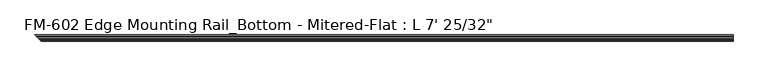
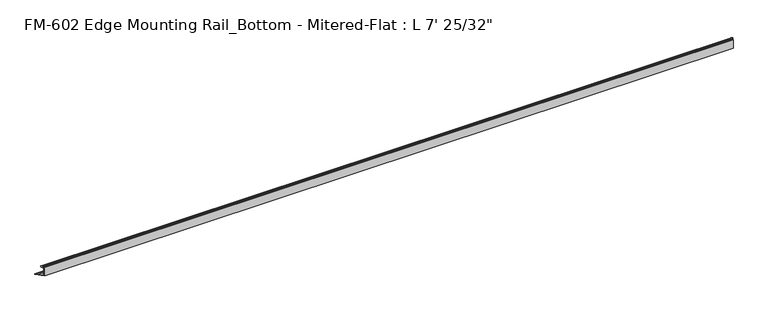
"""IFC4 building model written with IfcOpenShell, lengths in millimetres: proxy geometry."""

import ifcopenshell
import ifcopenshell.guid

model = None  # the IFC model being written
_history = None  # IfcOwnerHistory: only IFC2X3 demands one
_inside = {}  # id of a spatial element -> (the spatial element, [elements in it])
_under = {}  # id of a project, library or spatial element -> (it, [spatial elements below it])
_declared = {}  # id of a project -> (the project, [libraries it declares])
_typed = {}  # id of a type object -> (the type object, [elements of that type])
_made_of = {}  # id of a material, layer set ... -> (it, [elements and type objects made of it])


def new_model(schema):
    """Start an empty IFC model of exactly this schema.

    Asked for "IFC4X3", IfcOpenShell would pick the latest addendum, in which some entities
    have other attributes; the version numbers below select the first issue.
    IFC2X3 requires an IfcOwnerHistory on every rooted entity: one is made here for all.
    """
    global model, _history
    if schema == "IFC4X3":
        model = ifcopenshell.file(schema_version=(4, 3, 0, 0))
    else:
        model = ifcopenshell.file(schema=schema)
    _inside.clear()
    _under.clear()
    _declared.clear()
    _typed.clear()
    _made_of.clear()
    _history = None
    if model.schema == "IFC2X3":
        org = make("IfcOrganization", Name="unknown")
        user = make(
            "IfcPersonAndOrganization",
            ThePerson=make("IfcPerson", FamilyName="unknown"),
            TheOrganization=org,
        )
        app = make(
            "IfcApplication",
            ApplicationDeveloper=org,
            Version="unknown",
            ApplicationFullName="unknown",
            ApplicationIdentifier="unknown",
        )
        _history = make(
            "IfcOwnerHistory",
            OwningUser=user,
            OwningApplication=app,
            ChangeAction="ADDED",
            CreationDate=0,
        )
    return model


def make(cls, **values):
    """One entity of the class cls with the attributes given. An attribute that is None is left unset."""
    return model.create_entity(
        cls, **{name: value for name, value in values.items() if value is not None}
    )


def rooted(cls, **values):
    """An entity with a GlobalId (a new one), such as an element, a storey or a relation."""
    return make(cls, GlobalId=ifcopenshell.guid.new(), OwnerHistory=_history, **values)


def si_unit(unit_type, name, prefix=None):
    """IfcSIUnit, for example si_unit("LENGTHUNIT", "METRE", prefix="MILLI")."""
    return make("IfcSIUnit", UnitType=unit_type, Prefix=prefix, Name=name)


def assignment(units):
    """IfcUnitAssignment: the units of a project."""
    return None if units is None else make("IfcUnitAssignment", Units=units)


def point(xyz):
    """IfcCartesianPoint."""
    return None if xyz is None else make("IfcCartesianPoint", Coordinates=xyz)


def direction(xyz):
    """IfcDirection."""
    return None if xyz is None else make("IfcDirection", DirectionRatios=xyz)


def frame(location, z_axis=None, x_axis=None):
    """IfcAxis2Placement3D, a coordinate frame: its origin and axes. An axis left out is left unset."""
    return make(
        "IfcAxis2Placement3D",
        Location=point(location),
        Axis=direction(z_axis),
        RefDirection=direction(x_axis),
    )


def origin():
    """The frame at (0, 0, 0) with its axes left unset."""
    return frame((0.0, 0.0, 0.0))


def place(relative_to, where):
    """IfcLocalPlacement: puts the frame where relative to a parent placement (None: the world)."""
    return make(
        "IfcLocalPlacement", PlacementRelTo=relative_to, RelativePlacement=where
    )


def context(
    kind, dimensions, precision=None, world=None, true_north=None, identifier=None
):
    """IfcGeometricRepresentationContext, for example the 3D "Model" context."""
    return make(
        "IfcGeometricRepresentationContext",
        ContextIdentifier=identifier,
        ContextType=kind,
        CoordinateSpaceDimension=dimensions,
        Precision=precision,
        WorldCoordinateSystem=world,
        TrueNorth=true_north,
    )


def project(units=None, contexts=None):
    """IfcProject with its units and contexts."""
    return rooted(
        "IfcProject",
        Name="project",
        RepresentationContexts=contexts,
        UnitsInContext=assignment(units),
    )


def spatial(cls, under=None, at=None, **own):
    """A site, building, storey or space (cls), placed at a placement, below another one or the project."""
    s = rooted(cls, ObjectPlacement=at, **own)
    if under is not None:
        _under.setdefault(under.id(), (under, []))[1].append(s)
    return s


def polyline(points):
    """IfcPolyline through the points."""
    return make("IfcPolyline", Points=[point(p) for p in points])


def circle_curve(where, radius):
    """IfcCircle in the frame where."""
    return make("IfcCircle", Position=where, Radius=radius)


def ellipse_curve(where, semi_axis1, semi_axis2):
    """IfcEllipse in the frame where."""
    return make(
        "IfcEllipse", Position=where, SemiAxis1=semi_axis1, SemiAxis2=semi_axis2
    )


def shape(context_of_items, identifier, shape_type, items):
    """IfcShapeRepresentation: the items that make up one representation, for example the "Body"."""
    return make(
        "IfcShapeRepresentation",
        ContextOfItems=context_of_items,
        RepresentationIdentifier=identifier,
        RepresentationType=shape_type,
        Items=items,
    )


def source(mapping_origin, context_of_items, identifier, shape_type, items):
    """IfcRepresentationMap: a shape defined once, which mapped items show again and again."""
    return make(
        "IfcRepresentationMap",
        MappingOrigin=mapping_origin,
        MappedRepresentation=shape(context_of_items, identifier, shape_type, items),
    )


def transform(
    local_origin,
    x_axis=None,
    y_axis=None,
    z_axis=None,
    scale=None,
    scale2=None,
    scale3=None,
    uniform=True,
):
    """IfcCartesianTransformationOperator3D, or its non-uniform kind. x_axis, y_axis, z_axis: its Axis1, 2, 3."""
    if uniform:
        return make(
            "IfcCartesianTransformationOperator3D",
            Axis1=direction(x_axis),
            Axis2=direction(y_axis),
            LocalOrigin=point(local_origin),
            Scale=scale,
            Axis3=direction(z_axis),
        )
    return make(
        "IfcCartesianTransformationOperator3DnonUniform",
        Axis1=direction(x_axis),
        Axis2=direction(y_axis),
        LocalOrigin=point(local_origin),
        Scale=scale,
        Axis3=direction(z_axis),
        Scale2=scale2,
        Scale3=scale3,
    )


def mapped(mapping_source, mapping_target):
    """IfcMappedItem: shows the shape of a source again, moved by a transform."""
    return make(
        "IfcMappedItem", MappingSource=mapping_source, MappingTarget=mapping_target
    )


def made_of(thing, what):
    """Note that an element or type object is made of a material, layer set ...; save() writes the relation."""
    if what is not None:
        _made_of.setdefault(what.id(), (what, []))[1].append(thing)
    return thing


def element(
    cls,
    number,
    at=None,
    inside=None,
    cuts=None,
    type_object=None,
    material=None,
    context=None,
    identifier="Body",
    shape_type=None,
    held_by="IfcProductDefinitionShape",
    body=None,
    shapes=None,
    **own,
):
    """One element of the class cls, such as IfcWall. Its Tag is "e" and its number.

    at: its placement. inside: the storey or other place that contains it. cuts: it is an
    opening in that element (IfcRelVoidsElement). A single representation is given by context,
    identifier, shape_type and body (its items); several are given by shapes. held_by: the class
    of the entity that holds the representations. save() writes the other relations.
    """
    e = rooted(cls, Tag="e%d" % number, ObjectPlacement=at, **own)
    if body is not None:
        shapes = [shape(context, identifier, shape_type, body)]
    if shapes is not None:
        e.Representation = make(held_by, Representations=shapes)
    if inside is not None:
        _inside.setdefault(inside.id(), (inside, []))[1].append(e)
    if cuts is not None:
        rooted(
            "IfcRelVoidsElement", RelatingBuildingElement=cuts, RelatedOpeningElement=e
        )
    if type_object is not None:
        _typed.setdefault(type_object.id(), (type_object, []))[1].append(e)
    return made_of(e, material)


def aggregate(whole, parts):
    """IfcRelAggregates: a whole, such as a stair, and the parts it consists of."""
    return rooted("IfcRelAggregates", RelatingObject=whole, RelatedObjects=parts)


def save(model, path):
    """Write the relations noted so far, then the file.

    IfcRelAggregates (storeys below a building ...), IfcRelContainedInSpatialStructure (elements
    in a storey), IfcRelDefinesByType, IfcRelAssociatesMaterial and IfcRelDeclares: one each for
    every whole, place, type object, material and project.
    """
    for whole, parts in _under.values():
        aggregate(whole, parts)
    for where, things in _inside.values():
        rooted(
            "IfcRelContainedInSpatialStructure",
            RelatedElements=things,
            RelatingStructure=where,
        )
    for kind, things in _typed.values():
        rooted("IfcRelDefinesByType", RelatedObjects=things, RelatingType=kind)
    for what, things in _made_of.values():
        rooted("IfcRelAssociatesMaterial", RelatedObjects=things, RelatingMaterial=what)
    for by, libraries in _declared.values():
        rooted("IfcRelDeclares", RelatingContext=by, RelatedDefinitions=libraries)
    model.write(path)


def plane_surface(at):
    """IfcPlane: the flat surface through the origin of the frame at, square to its z axis."""
    return make("IfcPlane", Position=at)


def cylinder_surface(at, radius):
    """IfcCylindricalSurface: all points at the distance radius from the z axis of the frame at."""
    return make("IfcCylindricalSurface", Position=at, Radius=radius)


def revolved_surface(curve, axis_point, axis_direction):
    """IfcSurfaceOfRevolution: the curve turned about the line through axis_point along axis_direction."""
    return make(
        "IfcSurfaceOfRevolution",
        SweptCurve=make("IfcArbitraryOpenProfileDef", ProfileType="CURVE", Curve=curve),
        AxisPosition=make("IfcAxis1Placement", Location=point(axis_point), Axis=direction(axis_direction)),
    )


def advanced_brep(points, edges, surfaces, faces):
    """IfcAdvancedBrep: a solid bounded by faces that lie on surfaces and meet in shared edges.

    An edge is (start, end): straight between two places in points (the first is 0);
    or (start, end, curve); or (start, end, curve, False) where it runs against its curve.
    A face is (place in surfaces, loops), or (place, loops, False) where it looks against
    its surface's normal. A loop lists edges by number (the first is 1), with a minus sign
    where the edge is run from its end to its start. The first loop is the outer one.
    """
    corners = [point(p) for p in points]
    vertices = [make("IfcVertexPoint", VertexGeometry=c) for c in corners]
    made = []
    for start, end, *more in edges:
        made.append(
            make(
                "IfcEdgeCurve",
                EdgeStart=vertices[start],
                EdgeEnd=vertices[end],
                EdgeGeometry=more[0] if more else make("IfcPolyline", Points=[corners[start], corners[end]]),
                SameSense=more[1] if len(more) > 1 else True,
            )
        )
    hull = []
    for where, loops, *sense in faces:
        bounds = []
        for j, loop in enumerate(loops):
            ring = [make("IfcOrientedEdge", EdgeElement=made[abs(k) - 1], Orientation=k > 0) for k in loop]
            bounds.append(
                make(
                    "IfcFaceOuterBound" if j == 0 else "IfcFaceBound",
                    Bound=make("IfcEdgeLoop", EdgeList=ring),
                    Orientation=True,
                )
            )
        hull.append(make("IfcAdvancedFace", Bounds=bounds, FaceSurface=surfaces[where], SameSense=sense[0] if sense else True))
    return make("IfcAdvancedBrep", Outer=make("IfcClosedShell", CfsFaces=hull))


def proxy_a1fcbd99(model_context):
    return source(origin(), model_context, "Body", "AdvancedBrep", [
        advanced_brep(
        [(2153.44375, -13.6400687, 32.1158903), (2153.44375, -15.4750158, 32.6885982), (2153.44375, -16.1549378, 32.2686835), (2153.44375, -16.1549378, 30.7270734), (2153.44375, -17.7424378, 29.1395734), (2153.44375, -19.05, 29.1395734), (2153.44375, -19.05, 0.0), (2153.44375, 0.0, 0.0), (2153.44375, 0.0, 1.5875), (2153.44375, -3.2106953, 1.5875), (2153.44375, -6.3856306, 1.6018315), (2153.44375, -15.5573314, 1.6102595), (2153.44375, -17.4625, 3.5152595), (2153.44375, -17.4625, 12.4909614), (2153.44375, -17.9716639, 13.408381), (2153.44375, -17.9716639, 14.7485418), (2153.44375, -17.4625, 15.6659614), (2153.44375, -17.4625, 26.8535734), (2153.44375, -16.9376166, 27.3612928), (2153.44375, -16.1779173, 26.4138515), (2153.44375, -15.4364113, 25.7360779), (2153.44375, -13.6400687, 26.2967369), (2153.44375, -11.9462301, 30.7938136), (14.6377207, -13.6400687, 32.1158903), (16.4726677, -15.4750158, 32.6885982), (17.1525898, -16.1549378, 32.2686835), (17.1525898, -16.1549378, 30.7270734), (18.7400898, -17.7424378, 29.1395734), (20.047652, -19.05, 29.1395734), (20.047652, -19.05, 0.0), (0.997652, 0.0, 0.0), (16.5549834, -15.5573314, 1.6102595), (18.460152, -17.4625, 3.5152595), (18.460152, -17.4625, 12.4909614), (18.9693158, -17.9716639, 13.408381), (18.9693158, -17.9716639, 14.7485418), (18.460152, -17.4625, 15.6659614), (18.460152, -17.4625, 26.8535734), (17.9352686, -16.9376166, 27.3612928), (17.1755692, -16.1779173, 26.4138515), (16.4340633, -15.4364113, 25.7360779), (14.6377207, -13.6400687, 26.2967369), (12.943882, -11.9462301, 30.7938136), (0.997652, 0.0, 1.5875), (4.2083473, -3.2106953, 1.5875), (7.3832826, -6.3856306, 1.6018315)],
        [
            (0, 1),
            (1, 2, circle_curve(frame((2153.44375, -15.6853088, 32.2686835), z_axis=(1.0, 0.0, 0.0), x_axis=(0.0, 1.0, 0.0)), 0.4696291)),
            (2, 3),
            (3, 4, circle_curve(frame((2153.44375, -17.7424378, 30.7270734), z_axis=(-1.0, 0.0, 0.0), x_axis=(0.0, 1.0, 0.0)), 1.5875)),
            (4, 5),
            (5, 6),
            (6, 7),
            (7, 8),
            (8, 9),
            (9, 10, circle_curve(frame((2153.44375, -4.7981953, 1.5875), z_axis=(1.0, 0.0, 0.0), x_axis=(0.0, 1.0, 0.0)), 1.5875)),
            (10, 11),
            (11, 12, circle_curve(frame((2153.44375, -15.5575, 3.5152595), z_axis=(-1.0, 0.0, 0.0), x_axis=(0.0, 1.0, 0.0)), 1.905)),
            (12, 13),
            (13, 14),
            (14, 15),
            (15, 16),
            (16, 17),
            (17, 18, circle_curve(frame((2153.44375, -16.9545, 26.8535734), z_axis=(-1.0, 0.0, 0.0), x_axis=(0.0, 1.0, 0.0)), 0.508)),
            (18, 19, circle_curve(frame((2153.44375, -16.9169378, 26.5995734), z_axis=(-1.0, 0.0, 0.0), x_axis=(0.0, 1.0, 0.0)), 0.762)),
            (19, 20, circle_curve(frame((2153.44375, -15.6245238, 26.2747792), z_axis=(1.0, 0.0, 0.0), x_axis=(0.0, 1.0, 0.0)), 0.5706009)),
            (20, 21),
            (21, 22, circle_curve(frame((2153.44375, -14.5481808, 29.2063136), z_axis=(1.0, 0.0, 0.0), x_axis=(0.0, 1.0, 0.0)), 3.048)),
            (22, 0, circle_curve(frame((2153.44375, -14.5481808, 29.2063136), z_axis=(1.0, 0.0, 0.0), x_axis=(0.0, 1.0, 0.0)), 3.048)),
            (0, 23),
            (23, 24),
            (24, 1),
            (24, 25, ellipse_curve(frame((16.6829607, -15.6853088, 32.2686835), z_axis=(0.7071067811864319, 0.7071067811866631, 0.0), x_axis=(-0.7071067811866631, 0.7071067811864319, 0.0)), 0.6641558, 0.4696291)),
            (25, 2),
            (25, 26),
            (26, 3),
            (26, 27, ellipse_curve(frame((18.7400898, -17.7424378, 30.7270734), z_axis=(-0.7071067811864319, -0.7071067811866631, 0.0), x_axis=(0.7071067811866631, -0.7071067811864319, 0.0)), 2.245064, 1.5875)),
            (27, 4),
            (27, 28),
            (28, 5),
            (28, 29),
            (29, 6),
            (29, 30),
            (30, 7),
            (11, 31),
            (31, 32, ellipse_curve(frame((16.555152, -15.5575, 3.5152595), z_axis=(-0.7071067811864319, -0.7071067811866631, 0.0), x_axis=(0.7071067811866631, -0.7071067811864319, 0.0)), 2.6940768, 1.905)),
            (32, 12),
            (32, 33),
            (33, 13),
            (33, 34),
            (34, 14),
            (34, 35),
            (35, 15),
            (35, 36),
            (36, 16),
            (36, 37),
            (37, 17),
            (37, 38, ellipse_curve(frame((17.952152, -16.9545, 26.8535734), z_axis=(-0.7071067811864319, -0.7071067811866631, 0.0), x_axis=(0.7071067811866631, -0.7071067811864319, 0.0)), 0.7184205, 0.508)),
            (38, 18),
            (38, 39, ellipse_curve(frame((17.9145898, -16.9169378, 26.5995734), z_axis=(-0.7071067811864319, -0.7071067811866631, 0.0), x_axis=(0.7071067811866631, -0.7071067811864319, 0.0)), 1.0776307, 0.762)),
            (39, 19),
            (39, 40, ellipse_curve(frame((16.6221758, -15.6245238, 26.2747792), z_axis=(0.7071067811864319, 0.7071067811866631, 0.0), x_axis=(-0.7071067811866631, 0.7071067811864319, 0.0)), 0.8069516, 0.5706009)),
            (40, 20),
            (40, 41),
            (41, 21),
            (41, 42, ellipse_curve(frame((15.5458328, -14.5481808, 29.2063136), z_axis=(0.7071067811864319, 0.7071067811866631, 0.0), x_axis=(-0.7071067811866631, 0.7071067811864319, 0.0)), 4.3105229, 3.048)),
            (42, 22),
            (42, 23, ellipse_curve(frame((15.5458328, -14.5481808, 29.2063136), z_axis=(0.7071067811864319, 0.7071067811866631, 0.0), x_axis=(-0.7071067811866631, 0.7071067811864319, 0.0)), 4.3105229, 3.048)),
            (30, 43),
            (43, 8),
            (43, 44),
            (44, 9),
            (44, 45, ellipse_curve(frame((5.7958473, -4.7981953, 1.5875), z_axis=(0.7071067811864319, 0.7071067811866631, 0.0), x_axis=(-0.7071067811866631, 0.7071067811864319, 0.0)), 2.245064, 1.5875)),
            (45, 10),
            (45, 31),
        ],
        [
            plane_surface(frame((2153.44375, -13.6400687, 32.1158903), z_axis=(1.0, 0.0, 0.0), x_axis=(0.0, 0.9545855229405114, -0.2979370393092986))),
            plane_surface(frame((0.0, -13.6400687, 32.1158903), z_axis=(0.0, 0.2979370393092986, 0.9545855229405114), x_axis=(1.0, 0.0, 0.0))),
            cylinder_surface(frame((2153.44375, -15.6853088, 32.2686835), z_axis=(-1.0, 0.0, 0.0), x_axis=(0.0, 1.0, 0.0)), 0.4696291),
            plane_surface(frame((0.0, -16.1549378, 32.2686835), z_axis=(0.0, -1.0, 0.0), x_axis=(1.0, 0.0, 0.0))),
            revolved_surface(polyline([(2153.44375, -16.154937800000003, 30.7270734), (17.152589799999987, -16.154937800000003, 30.7270734)]), (2153.44375, -17.7424378, 30.7270734), (1.0, 0.0, 0.0)),
            plane_surface(frame((0.0, -17.7424378, 29.1395734), z_axis=(0.0, 0.0, 1.0), x_axis=(1.0, 0.0, 0.0))),
            plane_surface(frame((0.0, -19.05, 29.1395734), z_axis=(0.0, -1.0, 0.0), x_axis=(1.0, 0.0, 0.0))),
            plane_surface(frame((0.0, -19.05, 0.0), z_axis=(0.0, 0.0, -1.0), x_axis=(1.0, 0.0, 0.0))),
            revolved_surface(polyline([(2153.44375, -13.6525, 3.5152595), (14.650152025682019, -13.6525, 3.5152595)]), (2153.44375, -15.5575, 3.5152595), (1.0, 0.0, 0.0)),
            plane_surface(frame((0.0, -17.4625, 3.5152595), z_axis=(0.0, 1.0, 0.0), x_axis=(1.0, 0.0, 0.0))),
            plane_surface(frame((0.0, -17.4625, 12.4909614), z_axis=(0.0, 0.8743650443659691, 0.48526875975164224), x_axis=(1.0, 0.0, 0.0))),
            plane_surface(frame((0.0, -17.9716639, 13.408381), z_axis=(0.0, 1.0, 0.0), x_axis=(1.0, 0.0, 0.0))),
            plane_surface(frame((0.0, -17.9716639, 14.7485418), z_axis=(0.0, 0.8743650443696134, -0.48526875974507594), x_axis=(1.0, 0.0, 0.0))),
            plane_surface(frame((0.0, -17.4625, 15.6659614), z_axis=(0.0, 1.0, 0.0), x_axis=(1.0, 0.0, 0.0))),
            revolved_surface(polyline([(2153.44375, -16.4465, 26.8535734), (17.444151992706338, -16.4465, 26.8535734)]), (2153.44375, -16.9545, 26.8535734), (1.0, 0.0, 0.0)),
            revolved_surface(polyline([(2153.44375, -16.1549378, 26.5995734), (17.152589824415372, -16.1549378, 26.5995734)]), (2153.44375, -16.9169378, 26.5995734), (1.0, 0.0, 0.0)),
            cylinder_surface(frame((2153.44375, -15.6245238, 26.2747792), z_axis=(-1.0, 0.0, 0.0), x_axis=(0.0, 1.0, 0.0)), 0.5706009),
            plane_surface(frame((0.0, -15.4364113, 25.7360779), z_axis=(0.0, 0.2979370393102586, -0.9545855229402117), x_axis=(1.0, 0.0, 0.0))),
            cylinder_surface(frame((2153.44375, -14.5481808, 29.2063136), z_axis=(-1.0, 0.0, 0.0), x_axis=(0.0, 1.0, 0.0)), 3.048),
            plane_surface(frame((0.0, 0.0, 0.0), z_axis=(0.0, 1.0, 0.0), x_axis=(1.0, 0.0, 0.0))),
            plane_surface(frame((0.0, 0.0, 1.5875), z_axis=(0.0, 0.0, 1.0), x_axis=(1.0, 0.0, 0.0))),
            cylinder_surface(frame((2153.44375, -4.7981953, 1.5875), z_axis=(-1.0, 0.0, 0.0), x_axis=(0.0, 1.0, 0.0)), 1.5875),
            plane_surface(frame((0.0, -6.3856306, 1.6018315), z_axis=(0.0, 0.0009189159949701764, 0.999999577796608), x_axis=(1.0, 0.0, 0.0))),
            plane_surface(frame((0.0, 0.997652, 33.4603096), z_axis=(-0.7071067811864319, -0.7071067811866631, 0.0), x_axis=(0.0, 0.0, -1.0))),
        ],
        [
            (0, [[1, 2, 3, 4, 5, 6, 7, 8, 9, 10, 11, 12, 13, 14, 15, 16, 17, 18, 19, 20, 21, 22, 23]]),
            (1, [[24, 25, 26, -1]]),
            (2, [[-26, 27, 28, -2]]),
            (3, [[-28, 29, 30, -3]]),
            (4, [[-30, 31, 32, -4]]),
            (5, [[-32, 33, 34, -5]]),
            (6, [[-34, 35, 36, -6]]),
            (7, [[-36, 37, 38, -7]]),
            (8, [[39, 40, 41, -12]]),
            (9, [[-41, 42, 43, -13]]),
            (10, [[-43, 44, 45, -14]]),
            (11, [[-45, 46, 47, -15]]),
            (12, [[-47, 48, 49, -16]]),
            (13, [[-49, 50, 51, -17]]),
            (14, [[-51, 52, 53, -18]]),
            (15, [[-53, 54, 55, -19]]),
            (16, [[-55, 56, 57, -20]]),
            (17, [[-57, 58, 59, -21]]),
            (18, [[-59, 60, 61, -22]]),
            (18, [[-61, 62, -24, -23]]),
            (19, [[-38, 63, 64, -8]]),
            (20, [[-64, 65, 66, -9]]),
            (21, [[-66, 67, 68, -10]]),
            (22, [[-68, 69, -39, -11]]),
            (23, [[-62, -60, -58, -56, -54, -52, -50, -48, -46, -44, -42, -40, -69, -67, -65, -63, -37, -35, -33, -31, -29, -27, -25]]),
        ],
    ),
    ])


if __name__ == "__main__":
    model = new_model("IFC4")
    model_context = context("Model", 3, world=origin())
    ifc_project = project(units=[si_unit("LENGTHUNIT", "METRE", prefix="MILLI")], contexts=[model_context])
    site = spatial("IfcSite", under=ifc_project)
    building = spatial("IfcBuilding", under=site)
    placement = place(None, origin())
    proxy_shape = proxy_a1fcbd99(model_context)
    element("IfcBuildingElementProxy", 1, Name="FM-602 Edge Mounting Rail_Bottom - Mitered-Flat : L 7' 25/32\"", ObjectType="FM-602 Edge Mounting Rail_Bottom - Mitered-Flat : L 7' 25/32\"", at=placement, inside=building, context=model_context, shape_type="MappedRepresentation", body=[
        mapped(proxy_shape, transform((0.0, 0.0, 0.0), x_axis=(1.0, 0.0, 0.0), y_axis=(0.0, 1.0, 0.0), z_axis=(0.0, 0.0, 1.0))),
    ])
    save(model, "model.ifc")
